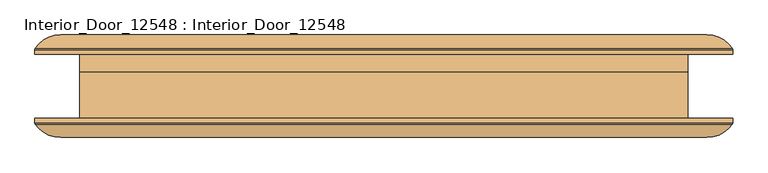
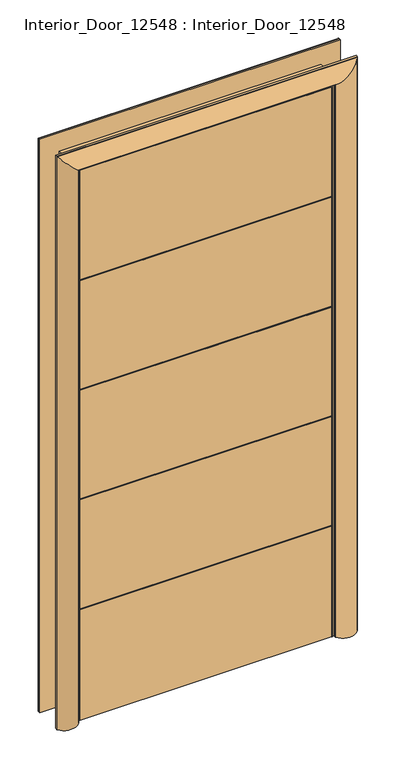
"""IFC4 building model written with IfcOpenShell, lengths in millimetres: door geometry, Interior_Door_12548 : Interior_Door_12548."""

from ifc_helpers import new_model, si_unit, frame, origin, place, context, project, spatial, polyline, circle_curve, ellipse_curve, outline, extrude, source, transform, mapped, element, save
from ifc_brep_helpers import plane_surface, cylinder_surface, advanced_brep


def interior_door_12548_interior_door_12548_e44d6617(model_context):
    return source(origin(), model_context, "Body", "SolidModel", [
        extrude(outline(polyline([(-5.0, 423.0), (-5.0, 0.0), (-50.0, 0.0), (-50.0, 423.0), (-45.9873132, 423.0), (-45.9873132, 427.0), (-50.0, 427.0), (-50.0, 843.0), (-45.9849386, 843.0), (-45.9849386, 847.0), (-50.0, 847.0), (-50.0, 1263.0), (-45.9641901, 1263.0), (-45.9641901, 1267.0), (-50.0, 1267.0), (-50.0, 1683.0), (-46.0438657, 1683.0), (-46.0438657, 1687.0), (-50.0, 1687.0), (-50.0, 2105.0), (-5.0, 2105.0), (-5.0, 1687.0), (-9.0, 1687.0), (-9.0, 1683.0), (-5.0, 1683.0), (-5.0, 1267.0), (-9.0, 1267.0), (-9.0, 1263.0), (-5.0, 1263.0), (-5.0, 847.0), (-9.0, 847.0), (-9.0, 843.0), (-5.0, 843.0), (-5.0, 427.0), (-9.0, 427.0), (-9.0, 423.0), (-5.0, 423.0)])), frame((-455.0, 0.0, 0.0), z_axis=(1.0, 0.0, 0.0), x_axis=(0.0, 1.0, 0.0)), (0.0, 0.0, 1.0), 910.0),
        advanced_brep(
        [(465.0, 22.85, 0.0), (465.0, 57.0, 0.0), (465.8786797, 59.1213203, 0.0), (544.1213203, 59.1213203, 0.0), (545.0, 57.0, 0.0), (545.0, 50.0, 0.0), (475.0, 50.0, 0.0), (475.0, 22.85, 0.0), (465.0, 22.85, 2115.0), (465.0, 57.0, 2115.0), (465.8786797, 59.1213203, 2115.8786797), (544.1213203, 59.1213203, 2194.1213203), (545.0, 57.0, 2195.0), (545.0, 50.0, 2195.0), (-545.0, 50.0, 2195.0), (-545.0, 50.0, 0.0), (-475.0, 50.0, 0.0), (-475.0, 50.0, 2125.0), (475.0, 50.0, 2125.0), (475.0, 22.85, 2125.0), (-475.0, 22.85, 2125.0), (-475.0, 22.85, 0.0), (-465.0, 22.85, 0.0), (-465.0, 22.85, 2115.0), (-545.0, 57.0, 2195.0), (-545.0, 57.0, 0.0), (-465.0, 57.0, 0.0), (-544.1213203, 59.1213203, 0.0), (-465.8786797, 59.1213203, 0.0), (-465.0, 57.0, 2115.0), (-544.1213203, 59.1213203, 2194.1213203), (-465.8786797, 59.1213203, 2115.8786797)],
        [
            (0, 1),
            (1, 2, circle_curve(frame((468.0, 57.0, 0.0), z_axis=(0.0, 0.0, -1.0), x_axis=(0.0, -1.0, 0.0)), 3.0)),
            (2, 3, circle_curve(frame((505.0, 32.9482541, 0.0), z_axis=(0.0, 0.0, -1.0), x_axis=(0.0, -1.0, 0.0)), 47.0691736)),
            (3, 4, circle_curve(frame((542.0, 57.0, 0.0), z_axis=(0.0, 0.0, -1.0), x_axis=(0.0, -1.0, 0.0)), 3.0)),
            (4, 5),
            (5, 6),
            (6, 7),
            (7, 0),
            (0, 8),
            (8, 9),
            (9, 1),
            (9, 10, ellipse_curve(frame((468.0, 57.0, 2118.0), z_axis=(0.7071067811865475, 0.0, -0.7071067811865475), x_axis=(-0.7071067811865474, 0.0, -0.7071067811865476)), 4.2426407, 3.0)),
            (10, 2),
            (10, 11, ellipse_curve(frame((505.0, 32.9482541, 2155.0), z_axis=(0.7071067811865475, 0.0, -0.7071067811865475), x_axis=(-0.7071067811865474, 0.0, -0.7071067811865476)), 66.5658636, 47.0691736)),
            (11, 3),
            (11, 12, ellipse_curve(frame((542.0, 57.0, 2192.0), z_axis=(0.7071067811865475, 0.0, -0.7071067811865475), x_axis=(-0.7071067811865474, 0.0, -0.7071067811865476)), 4.2426407, 3.0)),
            (12, 4),
            (12, 13),
            (13, 5),
            (13, 14),
            (14, 15),
            (15, 16),
            (16, 17),
            (17, 18),
            (18, 6),
            (18, 19),
            (19, 7),
            (19, 20),
            (20, 21),
            (21, 22),
            (22, 23),
            (23, 8),
            (14, 24),
            (24, 25),
            (25, 15),
            (26, 22),
            (21, 16),
            (25, 27, circle_curve(frame((-542.0, 57.0, 0.0), z_axis=(0.0, 0.0, -1.0), x_axis=(0.0, -1.0, 0.0)), 3.0)),
            (27, 28, circle_curve(frame((-505.0, 32.9482541, 0.0), z_axis=(0.0, 0.0, -1.0), x_axis=(0.0, -1.0, 0.0)), 47.0691736)),
            (28, 26, circle_curve(frame((-468.0, 57.0, 0.0), z_axis=(0.0, 0.0, -1.0), x_axis=(0.0, -1.0, 0.0)), 3.0)),
            (20, 17),
            (29, 23),
            (26, 29),
            (24, 30, ellipse_curve(frame((-542.0, 57.0, 2192.0), z_axis=(-0.7071067811865475, 0.0, -0.7071067811865475), x_axis=(-0.7071067811865474, 0.0, 0.7071067811865476)), 4.2426407, 3.0)),
            (30, 27),
            (30, 31, ellipse_curve(frame((-505.0, 32.9482541, 2155.0), z_axis=(-0.7071067811865475, 0.0, -0.7071067811865475), x_axis=(-0.7071067811865474, 0.0, 0.7071067811865476)), 66.5658636, 47.0691736)),
            (31, 28),
            (31, 29, ellipse_curve(frame((-468.0, 57.0, 2118.0), z_axis=(-0.7071067811865475, 0.0, -0.7071067811865475), x_axis=(-0.7071067811865474, 0.0, 0.7071067811865476)), 4.2426407, 3.0)),
            (29, 9),
            (31, 10),
            (30, 11),
            (24, 12),
        ],
        [
            plane_surface(frame((475.0, 50.0, 0.0), z_axis=(0.0, 0.0, -1.0), x_axis=(0.0, -1.0, 0.0))),
            plane_surface(frame((465.0, 50.0, 0.0), z_axis=(-1.0, 0.0, 0.0), x_axis=(0.0, 0.0, 1.0))),
            cylinder_surface(frame((468.0, 57.0, 0.0), z_axis=(0.0, 0.0, -1.0), x_axis=(0.0, -1.0, 0.0)), 3.0),
            cylinder_surface(frame((505.0, 32.9482541, 0.0), z_axis=(0.0, 0.0, -1.0), x_axis=(0.0, -1.0, 0.0)), 47.0691736),
            cylinder_surface(frame((542.0, 57.0, 0.0), z_axis=(0.0, 0.0, -1.0), x_axis=(0.0, -1.0, 0.0)), 3.0),
            plane_surface(frame((545.0, 57.0, 0.0), z_axis=(1.0, 0.0, 0.0), x_axis=(0.0, 0.0, 1.0))),
            plane_surface(frame((545.0, 50.0, 0.0), z_axis=(0.0, -1.0, 0.0), x_axis=(0.0, 0.0, 1.0))),
            plane_surface(frame((475.0, 50.0, 0.0), z_axis=(1.0, 0.0, 0.0), x_axis=(0.0, 0.0, 1.0))),
            plane_surface(frame((475.0, 22.85, 0.0), z_axis=(0.0, -1.0, 0.0), x_axis=(0.0, 0.0, 1.0))),
            plane_surface(frame((-545.0, 57.0, 2195.0), z_axis=(-1.0, 0.0, 0.0), x_axis=(0.0, 0.0, -1.0))),
            plane_surface(frame((-475.0, 50.0, 0.0), z_axis=(0.0, 0.0, -1.0), x_axis=(0.0, -1.0, 0.0))),
            plane_surface(frame((-475.0, 50.0, 2125.0), z_axis=(-1.0, 0.0, 0.0), x_axis=(0.0, 0.0, -1.0))),
            plane_surface(frame((-465.0, 50.0, 2115.0), z_axis=(1.0, 0.0, 0.0), x_axis=(0.0, 0.0, -1.0))),
            cylinder_surface(frame((-542.0, 57.0, 2125.0), z_axis=(0.0, 0.0, 1.0), x_axis=(0.0, -1.0, 0.0)), 3.0),
            cylinder_surface(frame((-505.0, 32.9482541, 2125.0), z_axis=(0.0, 0.0, 1.0), x_axis=(0.0, -1.0, 0.0)), 47.0691736),
            cylinder_surface(frame((-468.0, 57.0, 2125.0), z_axis=(0.0, 0.0, 1.0), x_axis=(0.0, -1.0, 0.0)), 3.0),
            plane_surface(frame((465.0, 50.0, 2115.0), z_axis=(0.0, 0.0, -1.0), x_axis=(-1.0, 0.0, 0.0))),
            cylinder_surface(frame((475.0, 57.0, 2118.0), z_axis=(1.0, 0.0, 0.0), x_axis=(0.0, -1.0, 0.0)), 3.0),
            cylinder_surface(frame((475.0, 32.9482541, 2155.0), z_axis=(1.0, 0.0, 0.0), x_axis=(0.0, -1.0, 0.0)), 47.0691736),
            cylinder_surface(frame((475.0, 57.0, 2192.0), z_axis=(1.0, 0.0, 0.0), x_axis=(0.0, -1.0, 0.0)), 3.0),
            plane_surface(frame((545.0, 57.0, 2195.0), z_axis=(0.0, 0.0, 1.0), x_axis=(-1.0, 0.0, 0.0))),
            plane_surface(frame((475.0, 50.0, 2125.0), z_axis=(0.0, 0.0, 1.0), x_axis=(-1.0, 0.0, 0.0))),
        ],
        [
            (0, [[1, 2, 3, 4, 5, 6, 7, 8]]),
            (1, [[9, 10, 11, -1]]),
            (2, [[-2, -11, 12, 13]]),
            (3, [[-3, -13, 14, 15]]),
            (4, [[-4, -15, 16, 17]]),
            (5, [[-5, -17, 18, 19]]),
            (6, [[-6, -19, 20, 21, 22, 23, 24, 25]]),
            (7, [[-7, -25, 26, 27]]),
            (8, [[-8, -27, 28, 29, 30, 31, 32, -9]]),
            (9, [[33, 34, 35, -21]]),
            (10, [[36, -30, 37, -22, -35, 38, 39, 40]]),
            (11, [[41, -23, -37, -29]]),
            (12, [[42, -31, -36, 43]]),
            (13, [[44, 45, -38, -34]]),
            (14, [[46, 47, -39, -45]]),
            (15, [[48, -43, -40, -47]]),
            (16, [[-10, -32, -42, 49]]),
            (17, [[-12, -49, -48, 50]]),
            (18, [[-14, -50, -46, 51]]),
            (19, [[-16, -51, -44, 52]]),
            (20, [[-18, -52, -33, -20]]),
            (21, [[-26, -24, -41, -28]]),
        ],
    ),
        advanced_brep(
        [(465.0, -50.0, 0.0), (545.0, -50.0, 0.0), (545.0, -57.0, 0.0), (544.1213203, -59.1213203, 0.0), (465.8786797, -59.1213203, 0.0), (465.0, -57.0, 0.0), (465.0, -50.0, 2115.0), (-465.0, -50.0, 2115.0), (-465.0, -50.0, 0.0), (-545.0, -50.0, 0.0), (-545.0, -50.0, 2195.0), (545.0, -50.0, 2195.0), (545.0, -57.0, 2195.0), (544.1213203, -59.1213203, 2194.1213203), (465.8786797, -59.1213203, 2115.8786797), (465.0, -57.0, 2115.0), (-465.0, -57.0, 2115.0), (-465.0, -57.0, 0.0), (-465.8786797, -59.1213203, 0.0), (-544.1213203, -59.1213203, 0.0), (-545.0, -57.0, 0.0), (-545.0, -57.0, 2195.0), (-465.8786797, -59.1213203, 2115.8786797), (-544.1213203, -59.1213203, 2194.1213203)],
        [
            (0, 1),
            (1, 2),
            (2, 3, circle_curve(frame((542.0, -57.0, 0.0), z_axis=(0.0, 0.0, -1.0), x_axis=(0.0, -1.0, 0.0)), 3.0)),
            (3, 4, circle_curve(frame((505.0, -32.9482541, 0.0), z_axis=(0.0, 0.0, -1.0), x_axis=(0.0, -1.0, 0.0)), 47.0691736)),
            (4, 5, circle_curve(frame((468.0, -57.0, 0.0), z_axis=(0.0, 0.0, -1.0), x_axis=(0.0, -1.0, 0.0)), 3.0)),
            (5, 0),
            (0, 6),
            (6, 7),
            (7, 8),
            (8, 9),
            (9, 10),
            (10, 11),
            (11, 1),
            (11, 12),
            (12, 2),
            (12, 13, ellipse_curve(frame((542.0, -57.0, 2192.0), z_axis=(0.7071067811865475, 0.0, -0.7071067811865475), x_axis=(-0.7071067811865474, 0.0, -0.7071067811865476)), 4.2426407, 3.0)),
            (13, 3),
            (13, 14, ellipse_curve(frame((505.0, -32.9482541, 2155.0), z_axis=(0.7071067811865475, 0.0, -0.7071067811865475), x_axis=(-0.7071067811865474, 0.0, -0.7071067811865476)), 66.5658636, 47.0691736)),
            (14, 4),
            (14, 15, ellipse_curve(frame((468.0, -57.0, 2118.0), z_axis=(0.7071067811865475, 0.0, -0.7071067811865475), x_axis=(-0.7071067811865474, 0.0, -0.7071067811865476)), 4.2426407, 3.0)),
            (15, 5),
            (15, 6),
            (7, 16),
            (16, 17),
            (17, 8),
            (17, 18, circle_curve(frame((-468.0, -57.0, 0.0), z_axis=(0.0, 0.0, -1.0), x_axis=(0.0, -1.0, 0.0)), 3.0)),
            (18, 19, circle_curve(frame((-505.0, -32.9482541, 0.0), z_axis=(0.0, 0.0, -1.0), x_axis=(0.0, -1.0, 0.0)), 47.0691736)),
            (19, 20, circle_curve(frame((-542.0, -57.0, 0.0), z_axis=(0.0, 0.0, -1.0), x_axis=(0.0, -1.0, 0.0)), 3.0)),
            (20, 9),
            (21, 10),
            (20, 21),
            (16, 22, ellipse_curve(frame((-468.0, -57.0, 2118.0), z_axis=(-0.7071067811865475, 0.0, -0.7071067811865475), x_axis=(-0.7071067811865474, 0.0, 0.7071067811865476)), 4.2426407, 3.0)),
            (22, 18),
            (22, 23, ellipse_curve(frame((-505.0, -32.9482541, 2155.0), z_axis=(-0.7071067811865475, 0.0, -0.7071067811865475), x_axis=(-0.7071067811865474, 0.0, 0.7071067811865476)), 66.5658636, 47.0691736)),
            (23, 19),
            (23, 21, ellipse_curve(frame((-542.0, -57.0, 2192.0), z_axis=(-0.7071067811865475, 0.0, -0.7071067811865475), x_axis=(-0.7071067811865474, 0.0, 0.7071067811865476)), 4.2426407, 3.0)),
            (21, 12),
            (23, 13),
            (22, 14),
            (16, 15),
        ],
        [
            plane_surface(frame((475.0, -50.0, 0.0), z_axis=(0.0, 0.0, -1.0), x_axis=(0.0, -1.0, 0.0))),
            plane_surface(frame((465.0, -50.0, 0.0), z_axis=(0.0, 1.0, 0.0), x_axis=(0.0, 0.0, 1.0))),
            plane_surface(frame((545.0, -50.0, 0.0), z_axis=(1.0, 0.0, 0.0), x_axis=(0.0, 0.0, 1.0))),
            cylinder_surface(frame((542.0, -57.0, 0.0), z_axis=(0.0, 0.0, -1.0), x_axis=(0.0, -1.0, 0.0)), 3.0),
            cylinder_surface(frame((505.0, -32.9482541, 0.0), z_axis=(0.0, 0.0, -1.0), x_axis=(0.0, -1.0, 0.0)), 47.0691736),
            cylinder_surface(frame((468.0, -57.0, 0.0), z_axis=(0.0, 0.0, -1.0), x_axis=(0.0, -1.0, 0.0)), 3.0),
            plane_surface(frame((465.0, -57.0, 0.0), z_axis=(-1.0, 0.0, 0.0), x_axis=(0.0, 0.0, 1.0))),
            plane_surface(frame((-465.0, -57.0, 2115.0), z_axis=(1.0, 0.0, 0.0), x_axis=(0.0, 0.0, -1.0))),
            plane_surface(frame((-475.0, -50.0, 0.0), z_axis=(0.0, 0.0, -1.0), x_axis=(0.0, -1.0, 0.0))),
            plane_surface(frame((-545.0, -50.0, 2195.0), z_axis=(-1.0, 0.0, 0.0), x_axis=(0.0, 0.0, -1.0))),
            cylinder_surface(frame((-468.0, -57.0, 2125.0), z_axis=(0.0, 0.0, 1.0), x_axis=(0.0, -1.0, 0.0)), 3.0),
            cylinder_surface(frame((-505.0, -32.9482541, 2125.0), z_axis=(0.0, 0.0, 1.0), x_axis=(0.0, -1.0, 0.0)), 47.0691736),
            cylinder_surface(frame((-542.0, -57.0, 2125.0), z_axis=(0.0, 0.0, 1.0), x_axis=(0.0, -1.0, 0.0)), 3.0),
            plane_surface(frame((545.0, -50.0, 2195.0), z_axis=(0.0, 0.0, 1.0), x_axis=(-1.0, 0.0, 0.0))),
            cylinder_surface(frame((475.0, -57.0, 2192.0), z_axis=(1.0, 0.0, 0.0), x_axis=(0.0, -1.0, 0.0)), 3.0),
            cylinder_surface(frame((475.0, -32.9482541, 2155.0), z_axis=(1.0, 0.0, 0.0), x_axis=(0.0, -1.0, 0.0)), 47.0691736),
            cylinder_surface(frame((475.0, -57.0, 2118.0), z_axis=(1.0, 0.0, 0.0), x_axis=(0.0, -1.0, 0.0)), 3.0),
            plane_surface(frame((465.0, -57.0, 2115.0), z_axis=(0.0, 0.0, -1.0), x_axis=(-1.0, 0.0, 0.0))),
        ],
        [
            (0, [[1, 2, 3, 4, 5, 6]]),
            (1, [[-1, 7, 8, 9, 10, 11, 12, 13]]),
            (2, [[-2, -13, 14, 15]]),
            (3, [[-3, -15, 16, 17]]),
            (4, [[-4, -17, 18, 19]]),
            (5, [[-5, -19, 20, 21]]),
            (6, [[-6, -21, 22, -7]]),
            (7, [[23, 24, 25, -9]]),
            (8, [[-25, 26, 27, 28, 29, -10]]),
            (9, [[30, -11, -29, 31]]),
            (10, [[32, 33, -26, -24]]),
            (11, [[34, 35, -27, -33]]),
            (12, [[36, -31, -28, -35]]),
            (13, [[-14, -12, -30, 37]]),
            (14, [[-16, -37, -36, 38]]),
            (15, [[-18, -38, -34, 39]]),
            (16, [[-20, -39, -32, 40]]),
            (17, [[-22, -40, -23, -8]]),
        ],
    ),
        advanced_brep(
        [(-475.0, 22.85, 0.0), (-455.0, 22.85, 0.0), (-450.0, 17.85, 0.0), (-450.0, -5.0, 0.0), (-455.0, -5.0, 0.0), (-455.0, -45.0, 0.0), (-460.0, -50.0, 0.0), (-475.0, -50.0, 0.0), (-475.0, 22.85, 2125.0), (475.0, 22.85, 2125.0), (475.0, 22.85, 0.0), (455.0, 22.85, 0.0), (455.0, 22.85, 2105.0), (-455.0, 22.85, 2105.0), (-450.0, 17.85, 2100.0), (-450.0, -5.0, 2100.0), (450.0, -5.0, 2100.0), (450.0, -5.0, 0.0), (455.0, -5.0, 0.0), (455.0, -5.0, 2105.0), (-455.0, -5.0, 2105.0), (-455.0, -45.0, 2105.0), (-460.0, -50.0, 2110.0), (460.0, -49.9999999, 2110.0), (460.0, -49.9999999, 0.0), (475.0, -49.9999999, 0.0), (475.0, -49.9999999, 2125.0), (-475.0, -50.0, 2125.0), (455.0, -45.0, 0.0), (450.0, 17.85, 0.0), (450.0, 17.85, 2100.0), (455.0, -45.0, 2105.0)],
        [
            (0, 1),
            (1, 2, circle_curve(frame((-455.0, 17.85, 0.0), z_axis=(0.0, 0.0, -1.0), x_axis=(-1.0, 0.0, 0.0)), 5.0)),
            (2, 3),
            (3, 4),
            (4, 5),
            (5, 6, circle_curve(frame((-460.0, -45.0, 0.0), z_axis=(0.0, 0.0, -1.0), x_axis=(-1.0, 0.0, 0.0)), 5.0)),
            (6, 7),
            (7, 0),
            (0, 8),
            (8, 9),
            (9, 10),
            (10, 11),
            (11, 12),
            (12, 13),
            (13, 1),
            (13, 14, ellipse_curve(frame((-455.0, 17.85, 2105.0), z_axis=(-0.7071067811865475, 0.0, -0.7071067811865475), x_axis=(0.7071067811865474, 0.0, -0.7071067811865476)), 7.0710678, 5.0)),
            (14, 2),
            (14, 15),
            (15, 3),
            (15, 16),
            (16, 17),
            (17, 18),
            (18, 19),
            (19, 20),
            (20, 4),
            (20, 21),
            (21, 5),
            (21, 22, ellipse_curve(frame((-460.0, -45.0, 2110.0), z_axis=(-0.7071067811865475, 0.0, -0.7071067811865475), x_axis=(0.7071067811865474, 0.0, -0.7071067811865476)), 7.0710678, 5.0)),
            (22, 6),
            (22, 23),
            (23, 24),
            (24, 25),
            (25, 26),
            (26, 27),
            (27, 7),
            (27, 8),
            (9, 26),
            (25, 10),
            (24, 28, circle_curve(frame((460.0, -45.0, 0.0), z_axis=(0.0, 0.0, -1.0), x_axis=(1.0, 0.0, 0.0)), 5.0)),
            (28, 18),
            (17, 29),
            (29, 11, circle_curve(frame((455.0, 17.85, 0.0), z_axis=(0.0, 0.0, -1.0), x_axis=(1.0, 0.0, 0.0)), 5.0)),
            (30, 12, ellipse_curve(frame((455.0, 17.85, 2105.0), z_axis=(0.7071067811865475, 0.0, -0.7071067811865475), x_axis=(0.7071067811865474, 0.0, 0.7071067811865476)), 7.0710678, 5.0)),
            (29, 30),
            (16, 30),
            (31, 19),
            (28, 31),
            (23, 31, ellipse_curve(frame((460.0, -45.0, 2110.0), z_axis=(0.7071067811865475, 0.0, -0.7071067811865475), x_axis=(0.7071067811865474, 0.0, 0.7071067811865476)), 7.0710678, 5.0)),
            (30, 14),
            (31, 21),
        ],
        [
            plane_surface(frame((-475.0, -50.0, 0.0), z_axis=(0.0, 0.0, -1.0), x_axis=(0.0, -1.0, 0.0))),
            plane_surface(frame((-475.0, 22.85, 0.0), z_axis=(0.0, 1.0, 0.0), x_axis=(0.0, 0.0, 1.0))),
            cylinder_surface(frame((-455.0, 17.85, 0.0), z_axis=(0.0, 0.0, -1.0), x_axis=(-1.0, 0.0, 0.0)), 5.0),
            plane_surface(frame((-450.0, 17.85, 0.0), z_axis=(1.0, 0.0, 0.0), x_axis=(0.0, 0.0, 1.0))),
            plane_surface(frame((-450.0, -5.0, 0.0), z_axis=(0.0, -1.0, 0.0), x_axis=(0.0, 0.0, 1.0))),
            plane_surface(frame((-455.0, -5.0, 0.0), z_axis=(1.0, 0.0, 0.0), x_axis=(0.0, 0.0, 1.0))),
            cylinder_surface(frame((-460.0, -45.0, 0.0), z_axis=(0.0, 0.0, -1.0), x_axis=(-1.0, 0.0, 0.0)), 5.0),
            plane_surface(frame((-460.0, -50.0, 0.0), z_axis=(6.493029225395845e-11, -1.0, 0.0), x_axis=(0.0, 0.0, 1.0))),
            plane_surface(frame((-475.0, -50.0, 0.0), z_axis=(-1.0, 0.0, 0.0), x_axis=(0.0, 0.0, 1.0))),
            plane_surface(frame((475.0, -50.0, 2125.0), z_axis=(1.0, 0.0, 0.0), x_axis=(0.0, 0.0, -1.0))),
            plane_surface(frame((475.0, -50.0, 0.0), z_axis=(0.0, 0.0, -1.0), x_axis=(0.0, -1.0, 0.0))),
            cylinder_surface(frame((455.0, 17.85, 2125.0), z_axis=(0.0, 0.0, 1.0), x_axis=(1.0, 0.0, 0.0)), 5.0),
            plane_surface(frame((450.0, 17.85, 2100.0), z_axis=(-1.0, 0.0, 0.0), x_axis=(0.0, 0.0, -1.0))),
            plane_surface(frame((455.0, -5.0, 2105.0), z_axis=(-1.0, 0.0, 0.0), x_axis=(0.0, 0.0, -1.0))),
            cylinder_surface(frame((460.0, -45.0, 2125.0), z_axis=(0.0, 0.0, 1.0), x_axis=(1.0, 0.0, 0.0)), 5.0),
            cylinder_surface(frame((-475.0, 17.85, 2105.0), z_axis=(-1.0, 0.0, 0.0), x_axis=(0.0, 0.0, 1.0)), 5.0),
            plane_surface(frame((-450.0, 17.85, 2100.0), z_axis=(0.0, 0.0, -1.0), x_axis=(1.0, 0.0, 0.0))),
            plane_surface(frame((-455.0, -5.0, 2105.0), z_axis=(0.0, 0.0, -1.0), x_axis=(1.0, 0.0, 0.0))),
            cylinder_surface(frame((-475.0, -45.0, 2110.0), z_axis=(-1.0, 0.0, 0.0), x_axis=(0.0, 0.0, 1.0)), 5.0),
            plane_surface(frame((-475.0, -50.0, 2125.0), z_axis=(0.0, 0.0, 1.0), x_axis=(1.0, 0.0, 0.0))),
        ],
        [
            (0, [[1, 2, 3, 4, 5, 6, 7, 8]]),
            (1, [[-1, 9, 10, 11, 12, 13, 14, 15]]),
            (2, [[-2, -15, 16, 17]]),
            (3, [[-3, -17, 18, 19]]),
            (4, [[-4, -19, 20, 21, 22, 23, 24, 25]]),
            (5, [[-5, -25, 26, 27]]),
            (6, [[-6, -27, 28, 29]]),
            (7, [[-7, -29, 30, 31, 32, 33, 34, 35]]),
            (8, [[-8, -35, 36, -9]]),
            (9, [[37, -33, 38, -11]]),
            (10, [[-38, -32, 39, 40, -22, 41, 42, -12]]),
            (11, [[43, -13, -42, 44]]),
            (12, [[45, -44, -41, -21]]),
            (13, [[46, -23, -40, 47]]),
            (14, [[48, -47, -39, -31]]),
            (15, [[-16, -14, -43, 49]]),
            (16, [[-18, -49, -45, -20]]),
            (17, [[-26, -24, -46, 50]]),
            (18, [[-28, -50, -48, -30]]),
            (19, [[-36, -34, -37, -10]]),
        ],
    ),
        extrude(outline(polyline([(-450.0, -9.0126868), (-450.0, -5.0), (450.0, -5.0), (450.0, -9.0126868), (-450.0, -9.0126868)])), frame((0.0, 0.0, 423.0), z_axis=(0.0, 0.0, 1.0), x_axis=(1.0, 0.0, 0.0)), (0.0, 0.0, 1.0), 4.0),
        extrude(outline(polyline([(-455.0, -50.0), (-455.0, -45.9873132), (455.0, -45.9873132), (455.0, -50.0), (-455.0, -50.0)])), frame((0.0, 0.0, 423.0), z_axis=(0.0, 0.0, 1.0), x_axis=(1.0, 0.0, 0.0)), (0.0, 0.0, 1.0), 4.0),
        extrude(outline(polyline([(-450.0, -9.0), (-450.0, -5.0), (450.0, -5.0), (450.0, -9.0), (-450.0, -9.0)])), frame((0.0, 0.0, 843.0), z_axis=(0.0, 0.0, 1.0), x_axis=(1.0, 0.0, 0.0)), (0.0, 0.0, 1.0), 4.0),
        extrude(outline(polyline([(-455.0, -50.0), (-455.0, -45.9849386), (455.0, -45.9849386), (455.0, -50.0), (-455.0, -50.0)])), frame((0.0, 0.0, 843.0), z_axis=(0.0, 0.0, 1.0), x_axis=(1.0, 0.0, 0.0)), (0.0, 0.0, 1.0), 4.0),
        extrude(outline(polyline([(-450.0, -9.0), (-450.0, -5.0), (450.0, -5.0), (450.0, -9.0), (-450.0, -9.0)])), frame((0.0, 0.0, 1263.0), z_axis=(0.0, 0.0, 1.0), x_axis=(1.0, 0.0, 0.0)), (0.0, 0.0, 1.0), 4.0),
        extrude(outline(polyline([(-455.0, -50.0), (-455.0, -45.9641901), (455.0, -45.9641901), (455.0, -50.0), (-455.0, -50.0)])), frame((0.0, 0.0, 1263.0), z_axis=(0.0, 0.0, 1.0), x_axis=(1.0, 0.0, 0.0)), (0.0, 0.0, 1.0), 4.0),
        extrude(outline(polyline([(-450.0, -9.0), (-450.0, -5.0), (450.0, -5.0), (450.0, -9.0), (-450.0, -9.0)])), frame((0.0, 0.0, 1683.0), z_axis=(0.0, 0.0, 1.0), x_axis=(1.0, 0.0, 0.0)), (0.0, 0.0, 1.0), 4.0),
        extrude(outline(polyline([(-455.0, -50.0), (-455.0, -46.0438657), (455.0, -46.0438657), (455.0, -50.0), (-455.0, -50.0)])), frame((0.0, 0.0, 1683.0), z_axis=(0.0, 0.0, 1.0), x_axis=(1.0, 0.0, 0.0)), (0.0, 0.0, 1.0), 4.0),
    ])


if __name__ == "__main__":
    model = new_model("IFC4")
    model_context = context("Model", 3, world=origin())
    ifc_project = project(units=[si_unit("LENGTHUNIT", "METRE", prefix="MILLI")], contexts=[model_context])
    site = spatial("IfcSite", under=ifc_project)
    building = spatial("IfcBuilding", under=site)
    placement = place(None, origin())
    interior_door_12548_interior_door_12548_shape = interior_door_12548_interior_door_12548_e44d6617(model_context)
    element("IfcDoor", 1, ObjectType="Interior_Door_12548 : Interior_Door_12548", at=placement, inside=building, context=model_context, shape_type="MappedRepresentation", body=[
        mapped(interior_door_12548_interior_door_12548_shape, transform((0.0, 0.0, 0.0), x_axis=(1.0, 0.0, 0.0), y_axis=(0.0, 1.0, 0.0), z_axis=(0.0, 0.0, 1.0))),
    ])
    save(model, "model.ifc")
